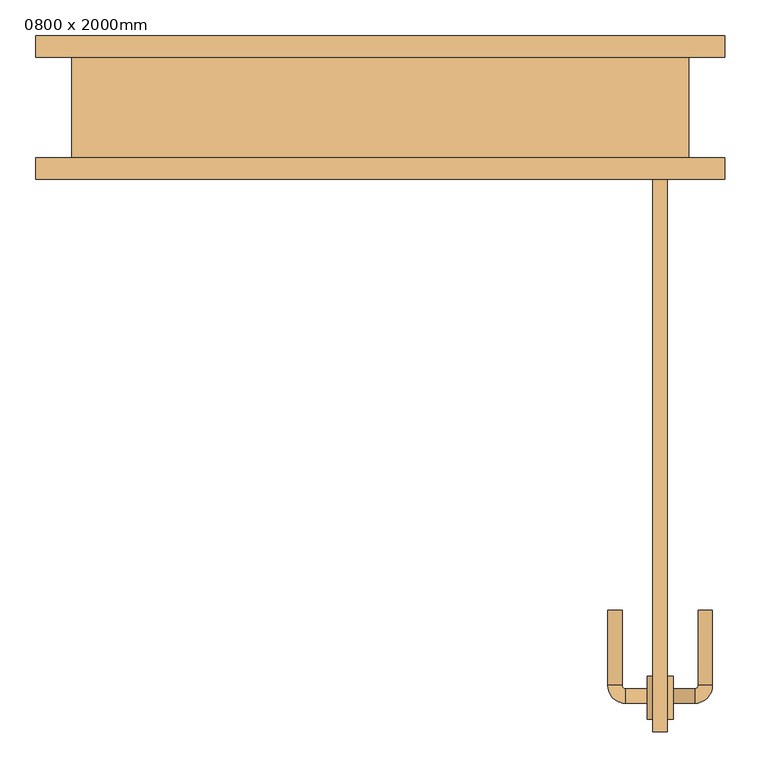
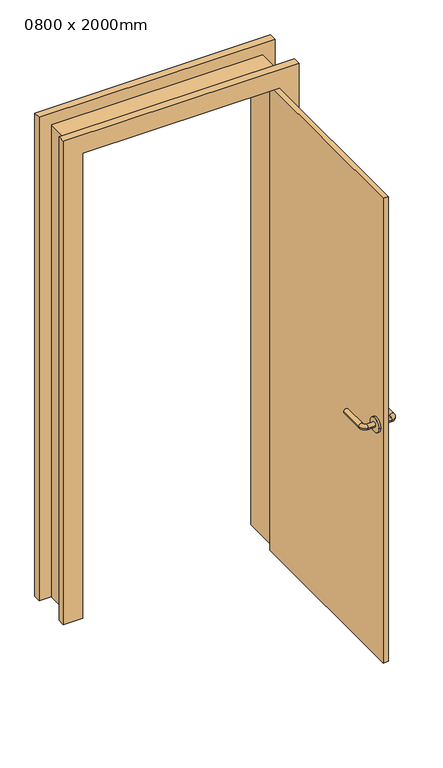
"""IFC4 building model written with IfcOpenShell, lengths in millimetres: door geometry, 0800 x 2000mm."""

from ifc_helpers import new_model, si_unit, point, frame, frame_2d, origin, origin_with_axes, place, context, project, spatial, polyline, circle_curve, ellipse_curve, trimmed, segment, composite_curve, outline, extrude, faceted_brep, source, transform, mapped, element, save
from ifc_brep_helpers import plane_surface, cylinder_surface, revolved_surface, advanced_brep


def door_0800_x_2000mm_5d81afcd(model_context):
    return source(origin(), model_context, "Body", "SolidModel", [
        advanced_brep(
        [(372.0, -830.0, 1000.0), (372.0, -810.0, 1000.0), (342.0, -830.0, 1000.0), (342.0, -810.0, 1000.0), (337.0, -805.0, 1000.0), (317.0, -805.0, 1000.0), (317.0, -700.0, 1000.0), (337.0, -700.0, 1000.0)],
        [
            (0, 1, circle_curve(frame((372.0, -820.0, 1000.0), z_axis=(1.0, 0.0, 0.0), x_axis=(0.0, 0.9999999999999986, 0.0)), 10.0)),
            (1, 0, circle_curve(frame((372.0, -820.0, 1000.0), z_axis=(1.0, 0.0, 0.0), x_axis=(0.0, 0.9999999999999986, 0.0)), 10.0)),
            (0, 2),
            (2, 3, circle_curve(frame((342.0, -820.0, 1000.0), z_axis=(1.0, 0.0, 0.0), x_axis=(0.0, 0.9999999999999986, 0.0)), 10.0)),
            (3, 1),
            (3, 2, circle_curve(frame((342.0, -820.0, 1000.0), z_axis=(1.0, 0.0, 0.0), x_axis=(0.0, 0.9999999999999986, 0.0)), 10.0)),
            (4, 3, circle_curve(frame((342.0, -805.0, 1000.0), z_axis=(0.0, 0.0, 1.0), x_axis=(0.0, -0.9999999999999986, 0.0)), 5.0)),
            (2, 5, circle_curve(frame((342.0, -805.0, 1000.0), z_axis=(0.0, 0.0, -1.0), x_axis=(0.0, -0.9999999999999986, 0.0)), 25.0)),
            (5, 4, circle_curve(frame((327.0, -805.0, 1000.0), z_axis=(0.0, -0.9999999999999986, 0.0), x_axis=(0.9999999999999986, 0.0, 0.0)), 10.0)),
            (4, 5, circle_curve(frame((327.0, -805.0, 1000.0), z_axis=(0.0, -0.9999999999999986, 0.0), x_axis=(0.9999999999999986, 0.0, 0.0)), 10.0)),
            (6, 7, circle_curve(frame((327.0, -700.0, 1000.0), z_axis=(0.0, 1.0, 0.0), x_axis=(0.9999999999999986, 0.0, 0.0)), 10.0)),
            (7, 6, circle_curve(frame((327.0, -700.0, 1000.0), z_axis=(0.0, 1.0, 0.0), x_axis=(0.9999999999999986, 0.0, 0.0)), 10.0)),
            (5, 6),
            (7, 4),
        ],
        [
            plane_surface(frame((372.0, -820.0, 1000.0), z_axis=(1.0, 0.0, 0.0), x_axis=(0.0, 0.0, 1.0))),
            cylinder_surface(frame((372.0, -820.0, 1000.0), z_axis=(0.9999999999999986, 0.0, 0.0), x_axis=(0.0, 0.9999999999999986, 0.0)), 10.0),
            revolved_surface(trimmed(ellipse_curve(frame((342.0, -820.0, 1000.0), z_axis=(0.9999999999999986, 0.0, 0.0), x_axis=(0.0, 0.9999999999999986, 0.0)), 10.0, 10.0), [point((342.0, -830.0, 1000.0))], [point((342.0, -810.0, 1000.0))], True, "CARTESIAN"), (342.0, -805.0, 1000.0), (0.0, 0.0, -1.0)),
            revolved_surface(trimmed(ellipse_curve(frame((342.0, -820.0, 1000.0), z_axis=(0.9999999999999986, 0.0, 0.0), x_axis=(0.0, 0.9999999999999986, 0.0)), 10.0, 10.0), [point((342.0, -810.0, 1000.0))], [point((342.0, -830.0, 1000.0))], True, "CARTESIAN"), (342.0, -805.0, 1000.0), (0.0, 0.0, -1.0)),
            plane_surface(frame((327.0, -700.0, 1000.0), z_axis=(0.0, 1.0, 0.0), x_axis=(0.0, 0.0, 1.0))),
            cylinder_surface(frame((327.0, -805.0, 1000.0), z_axis=(0.0, -0.9999999999999986, 0.0), x_axis=(0.9999999999999986, 0.0, 0.0)), 10.0),
        ],
        [
            (0, [[1, 2]]),
            (1, [[-1, 3, 4, 5]]),
            (1, [[-2, -5, 6, -3]]),
            (2, [[7, -4, 8, 9]]),
            (3, [[-8, -6, -7, 10]]),
            (4, [[11, 12]]),
            (5, [[-9, 13, -12, 14]]),
            (5, [[-10, -14, -11, -13]]),
        ],
    ),
        extrude(outline(composite_curve([segment(trimmed(circle_curve(frame_2d((-822.5, 1000.0)), 30.0), [point((-852.5, 1000.0))], [point((-792.5, 1000.0))], False, "CARTESIAN"), True, "CONTINUOUS"), segment(trimmed(circle_curve(frame_2d((-822.5, 1000.0)), 30.0), [point((-792.5, 1000.0))], [point((-852.5, 1000.0))], False, "CARTESIAN"), True, "CONTINUOUS")], self_intersect=False)), frame((372.0, 0.0, 0.0), z_axis=(1.0, 0.0, 0.0), x_axis=(0.0, 1.0, 0.0)), (0.0, 0.0, 1.0), 8.0),
        advanced_brep(
        [(408.0, -830.0, 1000.0), (408.0, -810.0, 1000.0), (438.0, -810.0, 1000.0), (438.0, -830.0, 1000.0), (443.0, -805.0, 1000.0), (463.0, -805.0, 1000.0), (463.0, -700.0, 1000.0), (443.0, -700.0, 1000.0)],
        [
            (0, 1, circle_curve(frame((408.0, -820.0, 1000.0), z_axis=(-1.0, 0.0, 0.0), x_axis=(0.0, 0.9999999999999993, 0.0)), 10.0)),
            (1, 0, circle_curve(frame((408.0, -820.0, 1000.0), z_axis=(-1.0, 0.0, 0.0), x_axis=(0.0, 0.9999999999999993, 0.0)), 10.0)),
            (1, 2),
            (2, 3, circle_curve(frame((438.0, -820.0, 1000.0), z_axis=(-1.0, 0.0, 0.0), x_axis=(0.0, 0.9999999999999993, 0.0)), 10.0)),
            (3, 0),
            (3, 2, circle_curve(frame((438.0, -820.0, 1000.0), z_axis=(-1.0, 0.0, 0.0), x_axis=(0.0, 0.9999999999999993, 0.0)), 10.0)),
            (4, 5, circle_curve(frame((453.0, -805.0, 1000.0), z_axis=(0.0, -0.9999999999999993, 0.0), x_axis=(-0.9999999999999993, 0.0, 0.0)), 10.0)),
            (5, 3, circle_curve(frame((438.0, -805.0, 1000.0), z_axis=(0.0, 0.0, -1.0), x_axis=(0.0, -0.9999999999999993, 0.0)), 25.0)),
            (2, 4, circle_curve(frame((438.0, -805.0, 1000.0), z_axis=(0.0, 0.0, 1.0), x_axis=(0.0, -0.9999999999999993, 0.0)), 5.0)),
            (5, 4, circle_curve(frame((453.0, -805.0, 1000.0), z_axis=(0.0, -0.9999999999999993, 0.0), x_axis=(-0.9999999999999993, 0.0, 0.0)), 10.0)),
            (6, 7, circle_curve(frame((453.0, -700.0, 1000.0), z_axis=(0.0, 1.0, 0.0), x_axis=(-0.9999999999999993, 0.0, 0.0)), 10.0)),
            (7, 6, circle_curve(frame((453.0, -700.0, 1000.0), z_axis=(0.0, 1.0, 0.0), x_axis=(-0.9999999999999993, 0.0, 0.0)), 10.0)),
            (4, 7),
            (6, 5),
        ],
        [
            plane_surface(frame((408.0, -820.0, 1000.0), z_axis=(-1.0, 0.0, 0.0), x_axis=(0.0, 0.0, 1.0))),
            cylinder_surface(frame((408.0, -820.0, 1000.0), z_axis=(-0.9999999999999993, 0.0, 0.0), x_axis=(0.0, 0.9999999999999993, 0.0)), 10.0),
            revolved_surface(trimmed(ellipse_curve(frame((438.0, -820.0, 1000.0), z_axis=(0.9999999999999993, 0.0, 0.0), x_axis=(0.0, 0.9999999999999993, 0.0)), 10.0, 10.0), [point((438.0, -830.0, 1000.0))], [point((438.0, -810.0, 1000.0))], True, "CARTESIAN"), (438.0, -805.0, 1000.0), (0.0, 0.0, -1.0)),
            revolved_surface(trimmed(ellipse_curve(frame((438.0, -820.0, 1000.0), z_axis=(0.9999999999999993, 0.0, 0.0), x_axis=(0.0, 0.9999999999999993, 0.0)), 10.0, 10.0), [point((438.0, -810.0, 1000.0))], [point((438.0, -830.0, 1000.0))], True, "CARTESIAN"), (438.0, -805.0, 1000.0), (0.0, 0.0, -1.0)),
            plane_surface(frame((453.0, -700.0, 1000.0), z_axis=(0.0, 1.0, 0.0), x_axis=(0.0, 0.0, 1.0))),
            cylinder_surface(frame((453.0, -805.0, 1000.0), z_axis=(0.0, -0.9999999999999993, 0.0), x_axis=(-0.9999999999999993, 0.0, 0.0)), 10.0),
        ],
        [
            (0, [[1, 2]]),
            (1, [[3, 4, 5, -2]]),
            (1, [[-5, 6, -3, -1]]),
            (2, [[7, 8, -4, 9]]),
            (3, [[10, -9, -6, -8]]),
            (4, [[11, 12]]),
            (5, [[13, -11, 14, -7]]),
            (5, [[-14, -12, -13, -10]]),
        ],
    ),
        extrude(outline(composite_curve([segment(trimmed(circle_curve(frame_2d((-822.5, 1000.0)), 30.0), [point((-852.5, 1000.0))], [point((-792.5, 1000.0))], False, "CARTESIAN"), True, "CONTINUOUS"), segment(trimmed(circle_curve(frame_2d((-822.5, 1000.0)), 30.0), [point((-792.5, 1000.0))], [point((-852.5, 1000.0))], False, "CARTESIAN"), True, "CONTINUOUS")], self_intersect=False)), frame((400.0, 0.0, 0.0), z_axis=(1.0, 0.0, 0.0), x_axis=(0.0, 1.0, 0.0)), (0.0, 0.0, 1.0), 8.0),
        faceted_brep([(-430.0, -70.0, 0.0), (-430.0, 70.0, 0.0), (-480.0, 70.0, 0.0), (-480.0, 100.0, 0.0), (-400.0, 100.0, 0.0), (-400.0, -100.0, 0.0), (-480.0, -100.0, 0.0), (-480.0, -70.0, 0.0), (-480.0, -70.0, 2080.0), (480.0, -70.0, 2080.0), (480.0, -70.0, 0.0), (430.0, -70.0, 0.0), (430.0, -70.0, 2030.0), (-430.0, -70.0, 2030.0), (-480.0, -100.0, 2080.0), (-400.0, -100.0, 2000.0), (400.0, -100.0, 2000.0), (400.0, -100.0, 0.0), (480.0, -100.0, 0.0), (480.0, -100.0, 2080.0), (-400.0, 100.0, 2000.0), (-480.0, 100.0, 2080.0), (480.0, 100.0, 2080.0), (480.0, 100.0, 0.0), (400.0, 100.0, 0.0), (400.0, 100.0, 2000.0), (-480.0, 70.0, 2080.0), (-430.0, 70.0, 2030.0), (430.0, 70.0, 2030.0), (430.0, 70.0, 0.0), (480.0, 70.0, 0.0), (480.0, 70.0, 2080.0)], [[[0, 1, 2, 3, 4, 5, 6, 7]], [[7, 8, 9, 10, 11, 12, 13, 0]], [[6, 14, 8, 7]], [[5, 15, 16, 17, 18, 19, 14, 6]], [[4, 20, 15, 5]], [[3, 21, 22, 23, 24, 25, 20, 4]], [[2, 26, 21, 3]], [[1, 27, 28, 29, 30, 31, 26, 2]], [[0, 13, 27, 1]], [[12, 11, 29, 28]], [[11, 10, 18, 17, 24, 23, 30, 29]], [[19, 18, 10, 9]], [[25, 24, 17, 16]], [[31, 30, 23, 22]], [[14, 19, 9, 8]], [[20, 25, 16, 15]], [[26, 31, 22, 21]], [[13, 12, 28, 27]]]),
        extrude(outline(polyline([(400.0, -870.0), (380.0, -870.0), (380.0, -70.0), (400.0, -70.0), (400.0, -870.0)])), origin_with_axes(), (0.0, 0.0, 1.0), 2000.0),
    ])


if __name__ == "__main__":
    model = new_model("IFC4")
    model_context = context("Model", 3, world=origin())
    ifc_project = project(units=[si_unit("LENGTHUNIT", "METRE", prefix="MILLI")], contexts=[model_context])
    site = spatial("IfcSite", under=ifc_project)
    building = spatial("IfcBuilding", under=site)
    placement = place(None, origin())
    door_0800_x_2000mm_shape = door_0800_x_2000mm_5d81afcd(model_context)
    element("IfcDoor", 1, ObjectType="0800 x 2000mm", at=placement, inside=building, context=model_context, shape_type="MappedRepresentation", body=[
        mapped(door_0800_x_2000mm_shape, transform((0.0, 0.0, 0.0), x_axis=(1.0, 0.0, 0.0), y_axis=(0.0, 1.0, 0.0), z_axis=(0.0, 0.0, 1.0))),
    ])
    save(model, "model.ifc")
